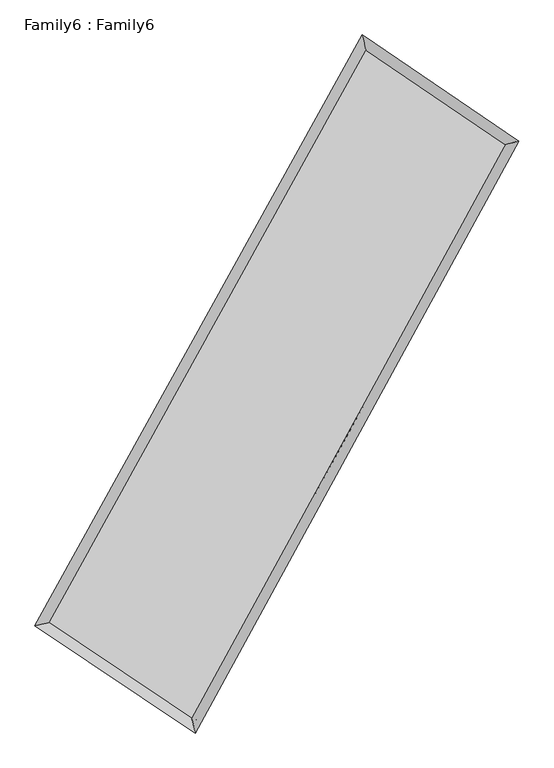
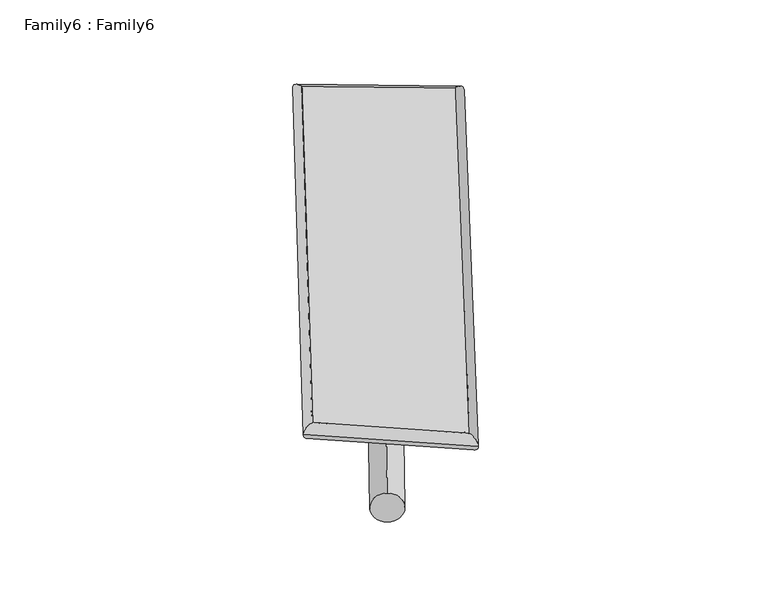
"""IFC4 building model written with IfcOpenShell, lengths in millimetres: plate geometry, Family6 : Family6."""

from ifc_helpers import new_model, si_unit, point, frame, origin, origin_2d, place, context, project, spatial, circle_curve, ellipse_curve, trimmed, segment, composite_curve, outline, extrude, source, transform, mapped, element, save
from ifc_brep_helpers import plane_surface, cylinder_surface, spline_surface, advanced_brep


def family6_family6_692f6b6e(model_context):
    return source(origin(), model_context, "Body", "SolidModel", [
        extrude(outline(composite_curve([segment(trimmed(circle_curve(origin_2d(), 76.2), [point((-75.4341514, -10.7763073))], [point((75.4341514, 10.7763073))], False, "CARTESIAN"), True, "CONTINUOUS"), segment(trimmed(circle_curve(origin_2d(), 76.2), [point((75.4341514, 10.7763073))], [point((-75.4341514, -10.7763073))], False, "CARTESIAN"), True, "CONTINUOUS")], self_intersect=False)), frame((9144.0, 9144.0, 0.0), z_axis=(0.66054843854982, 0.6928029768248554, 0.2893091696300233), x_axis=(-0.6860006733306664, 0.7135294635284587, -0.1424035844586168)), (0.0, 0.0, 1.0), 5438.6986618),
        extrude(outline(composite_curve([segment(trimmed(circle_curve(origin_2d(), 76.2), [point((-53.8815367, 53.8815368))], [point((53.8815367, -53.8815368))], False, "CARTESIAN"), True, "CONTINUOUS"), segment(trimmed(circle_curve(origin_2d(), 76.2), [point((53.8815367, -53.8815368))], [point((-53.8815367, 53.8815368))], False, "CARTESIAN"), True, "CONTINUOUS")], self_intersect=False)), frame((9144.0, 9144.0, 0.0), z_axis=(-0.6645531065435729, -0.6892534297139643, 0.2886154504021292), x_axis=(0.6527640130248333, -0.3474939459123685, 0.6731620167938528)), (0.0, 0.0, 1.0), 5449.8756291),
        extrude(outline(composite_curve([segment(trimmed(circle_curve(origin_2d(), 76.2), [point((-53.8815367, -53.8815368))], [point((53.8815367, 53.8815368))], False, "CARTESIAN"), True, "CONTINUOUS"), segment(trimmed(circle_curve(origin_2d(), 76.2), [point((53.8815367, 53.8815368))], [point((-53.8815367, -53.8815368))], False, "CARTESIAN"), True, "CONTINUOUS")], self_intersect=False)), frame((9144.0, 9144.0, 0.0), z_axis=(0.24471818459313296, 0.9339118121974097, 0.2606179908747504), x_axis=(-0.8435395720359878, 0.33759920430039997, -0.41769338953959934)), (0.0, 0.0, 1.0), 5641.4048694),
        extrude(outline(composite_curve([segment(trimmed(circle_curve(origin_2d(), 76.2), [point((-75.4341514, 10.7763073))], [point((75.4341514, -10.7763073))], False, "CARTESIAN"), True, "CONTINUOUS"), segment(trimmed(circle_curve(origin_2d(), 76.2), [point((75.4341514, -10.7763073))], [point((-75.4341514, 10.7763073))], False, "CARTESIAN"), True, "CONTINUOUS")], self_intersect=False)), frame((9144.0, 9144.0, 0.0), z_axis=(-0.23999291352602908, -0.9351141888125193, 0.26070070068719015), x_axis=(0.8898641422885096, -0.10457488298131978, 0.44407871162506607)), (0.0, 0.0, 1.0), 5642.5927226),
        advanced_brep(
        [(5321.5790578, 5339.3798636, 1565.1768403), (5321.2860362, 5338.9815735, 1582.3184867), (5722.9573829, 5435.9291986, 1580.6597784), (10576.8045188, 14193.0417344, 1481.0396275), (10472.3041976, 14632.1075553, 1459.463578), (5723.2504046, 5436.3274887, 1563.518132), (12536.3941164, 12863.6314535, 1572.4769943), (12936.6537012, 12960.2617924, 1574.4537931), (7736.1154569, 4086.9401693, 1473.0717314), (7843.5200084, 3648.1227975, 1468.9840215)],
        [
            (0, 1, ellipse_curve(frame((5522.2682204, 5387.6545311, 1572.9183093), z_axis=(-0.2345103598902528, 0.9719361513853292, 0.018574410742158026), x_axis=(-0.9713591899629235, -0.23503821097805772, 0.03490506345513792)), 207.0151276, 152.4)),
            (1, 2, ellipse_curve(frame((5522.2682204, 5387.6545311, 1572.9183093), z_axis=(-0.2345103598902528, 0.9719361513853292, 0.018574410742158026), x_axis=(-0.9713591899629235, -0.23503821097805772, 0.03490506345513792)), 207.0151276, 152.4)),
            (2, 3),
            (3, 4, ellipse_curve(frame((10524.5543582, 14412.5746449, 1470.2516028), z_axis=(-0.9723710639617567, -0.23247337460993067, -0.021228378820635888), x_axis=(0.231721283496461, -0.9722267503129316, 0.03286932841889333)), 225.9529396, 152.4)),
            (4, 0),
            (2, 5, ellipse_curve(frame((5522.2682204, 5387.6545311, 1572.9183093), z_axis=(-0.2345103598902528, 0.9719361513853292, 0.018574410742158026), x_axis=(-0.9713591899629235, -0.23503821097805772, 0.03490506345513792)), 207.0151276, 152.4)),
            (5, 0, ellipse_curve(frame((5522.2682204, 5387.6545311, 1572.9183093), z_axis=(-0.2345103598902528, 0.9719361513853292, 0.018574410742158026), x_axis=(-0.9713591899629235, -0.23503821097805772, 0.03490506345513792)), 207.0151276, 152.4)),
            (4, 3, ellipse_curve(frame((10524.5543582, 14412.5746449, 1470.2516028), z_axis=(-0.9723710639617567, -0.23247337460993067, -0.021228378820635888), x_axis=(0.231721283496461, -0.9722267503129316, 0.03286932841889333)), 225.9529396, 152.4)),
            (3, 6),
            (6, 7, ellipse_curve(frame((12736.5239088, 12911.9466229, 1573.4653937), z_axis=(-0.2345428248089879, 0.9719130032927115, -0.01935916736748148), x_axis=(-0.9712986901226366, -0.23511296148898442, -0.036065910579515914)), 205.9648746, 152.4)),
            (7, 4),
            (7, 6, ellipse_curve(frame((12736.5239088, 12911.9466229, 1573.4653937), z_axis=(-0.2345428248089879, 0.9719130032927115, -0.01935916736748148), x_axis=(-0.9712986901226366, -0.23511296148898442, -0.036065910579515914)), 205.9648746, 152.4)),
            (6, 8),
            (8, 9, ellipse_curve(frame((7789.8177327, 3867.5314834, 1471.0278765), z_axis=(0.9710849640336662, 0.23787084987190676, -0.020284265058170856), x_axis=(-0.2371676758648085, 0.9709419821197356, 0.03198688609859461)), 225.9656727, 152.4)),
            (9, 7),
            (9, 8, ellipse_curve(frame((7789.8177327, 3867.5314834, 1471.0278765), z_axis=(0.9710849640336662, 0.23787084987190676, -0.020284265058170856), x_axis=(-0.2371676758648085, 0.9709419821197356, 0.03198688609859461)), 225.9656727, 152.4)),
            (8, 5),
            (1, 9),
        ],
        [
            cylinder_surface(frame((5522.2682204, 5387.6545311, 1572.9183093), z_axis=(-0.48476273503627487, -0.8745891053243585, 0.009949249624394207), x_axis=(-0.8733506832233265, 0.48339489656338636, -0.059899566691436326)), 152.4),
            cylinder_surface(frame((10524.5543582, 14412.5746449, 1470.2516028), z_axis=(-0.8269205774758113, 0.5609933419572064, -0.03858534471474362), x_axis=(0.5620947156615246, 0.8265795596152106, -0.02856155198364271)), 152.4),
            cylinder_surface(frame((12736.5239088, 12911.9466229, 1573.4653937), z_axis=(0.4798290982936365, 0.8773057073698827, 0.009936410163935126), x_axis=(0.8773582998946686, -0.47982909829363646, -0.002539692235803359)), 152.4),
            cylinder_surface(frame((7789.8177327, 3867.5314834, 1471.0278765), z_axis=(0.8300455099596914, -0.5564470823978579, -0.037297397853841396), x_axis=(-0.5557759080260828, -0.830880617619594, 0.0273959727307777)), 152.4),
        ],
        [
            (0, [[1, 2, 3, 4, 5]]),
            (0, [[6, 7, -5, 8, -3]]),
            (1, [[-4, 9, 10, 11]]),
            (1, [[-8, -11, 12, -9]]),
            (2, [[-10, 13, 14, 15]]),
            (2, [[-12, -15, 16, -13]]),
            (3, [[-14, 17, -6, -2, 18]]),
            (3, [[-16, -18, -1, -7, -17]]),
        ],
    ),
        extrude(outline(composite_curve([segment(trimmed(circle_curve(origin_2d(), 304.8), [point((1e-07, -304.8))], [point((0.0, 304.8))], False, "CARTESIAN"), True, "CONTINUOUS"), segment(trimmed(circle_curve(origin_2d(), 304.8), [point((0.0, 304.8))], [point((1e-07, -304.8))], False, "CARTESIAN"), True, "CONTINUOUS")], self_intersect=False)), frame((6601.9593547, 4648.7517994, -0.0518643), z_axis=(0.4922404239092925, 0.8704592839235723, 1.0043001190601224e-05), x_axis=(-0.8704592839774958, 0.49224042390929246, 2.642971812256284e-06)), (0.0, 0.0, 1.0), 10328.4513903),
        advanced_brep(
        [(5522.2682204, 5387.6545311, 1572.9183093), (7789.8177327, 3867.5314834, 1471.0278765), (7789.8414323, 3867.5216235, 1623.4278743), (5522.29192, 5387.6446712, 1725.3183072), (12736.5239088, 12911.9466229, 1573.4653937), (12736.5476084, 12911.936763, 1725.8653915), (10524.5543582, 14412.5746449, 1470.2516028), (10524.5780579, 14412.564785, 1622.6516006)],
        [
            (0, 1),
            (1, 2),
            (2, 3),
            (3, 0),
            (1, 4),
            (4, 5),
            (5, 2),
            (4, 6),
            (6, 7),
            (7, 5),
            (6, 0),
            (3, 7),
        ],
        [
            plane_surface(frame((6656.0429765, 4627.5930073, 1521.9730929), z_axis=(-0.5568335034736864, -0.8306241318008146, 3.285366887889607e-05), x_axis=(0.8300455099596915, -0.5564470823978577, -0.0372973978538414))),
            plane_surface(frame((10263.1708207, 8389.7390532, 1522.2466351), z_axis=(0.8773498060469047, -0.47985132049352597, -0.00016748157641106876), x_axis=(0.4798290982936365, 0.8773057073698826, 0.009936410163935119))),
            plane_surface(frame((11630.5391335, 13662.2606339, 1521.8584982), z_axis=(0.561412499023457, 0.8275361048317624, -3.3765534696316574e-05), x_axis=(-0.8269205774758113, 0.5609933419572066, -0.03858534471474365))),
            plane_surface(frame((8023.4112893, 9900.114588, 1521.5849561), z_axis=(-0.8746315756601627, 0.48478817935541363, 0.00016737826786482769), x_axis=(-0.484762735036275, -0.8745891053243585, 0.009949249624394182))),
            spline_surface(1, 1, [[(7789.8414323, 3867.5216235, 1623.4278743), (5522.29192, 5387.6446712, 1725.3183072)], [(12736.5476084, 12911.936763, 1725.8653915), (10524.5780579, 14412.564785, 1622.6516006)]], [2, 2], [2, 2], [0.0, 1.0], [0.0, 1.0]),
            spline_surface(1, 1, [[(10524.5543582, 14412.5746449, 1470.2516028), (5522.2682204, 5387.6545311, 1572.9183093)], [(12736.5239088, 12911.9466229, 1573.4653937), (7789.8177327, 3867.5314834, 1471.0278765)]], [2, 2], [2, 2], [0.0, 1.0], [0.0, 1.0]),
        ],
        [
            (0, [[1, 2, 3, 4]]),
            (1, [[5, 6, 7, -2]]),
            (2, [[8, 9, 10, -6]]),
            (3, [[11, -4, 12, -9]]),
            (4, [[-3, -7, -10, -12]]),
            (5, [[-11, -8, -5, -1]]),
        ],
    ),
    ])


if __name__ == "__main__":
    model = new_model("IFC4")
    model_context = context("Model", 3, world=origin())
    ifc_project = project(units=[si_unit("LENGTHUNIT", "METRE", prefix="MILLI")], contexts=[model_context])
    site = spatial("IfcSite", under=ifc_project)
    building = spatial("IfcBuilding", under=site)
    placement = place(None, origin())
    family6_family6_shape = family6_family6_692f6b6e(model_context)
    element("IfcPlate", 1, ObjectType="Family6 : Family6", at=placement, inside=building, context=model_context, shape_type="MappedRepresentation", body=[
        mapped(family6_family6_shape, transform((0.0, 0.0, 0.0), x_axis=(1.0, 0.0, 0.0), y_axis=(0.0, 1.0, 0.0), z_axis=(0.0, 0.0, 1.0))),
    ])
    save(model, "model.ifc")
